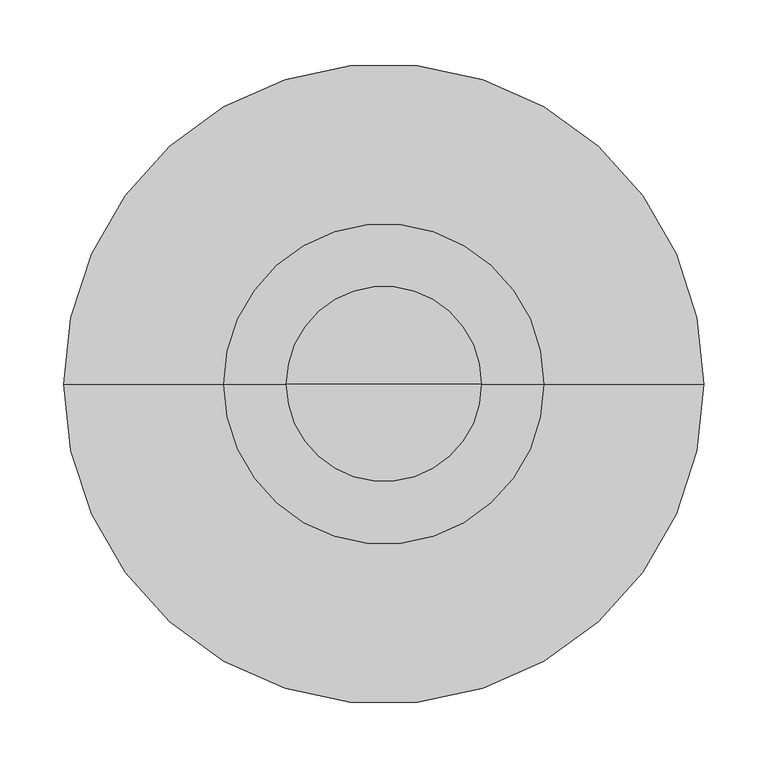
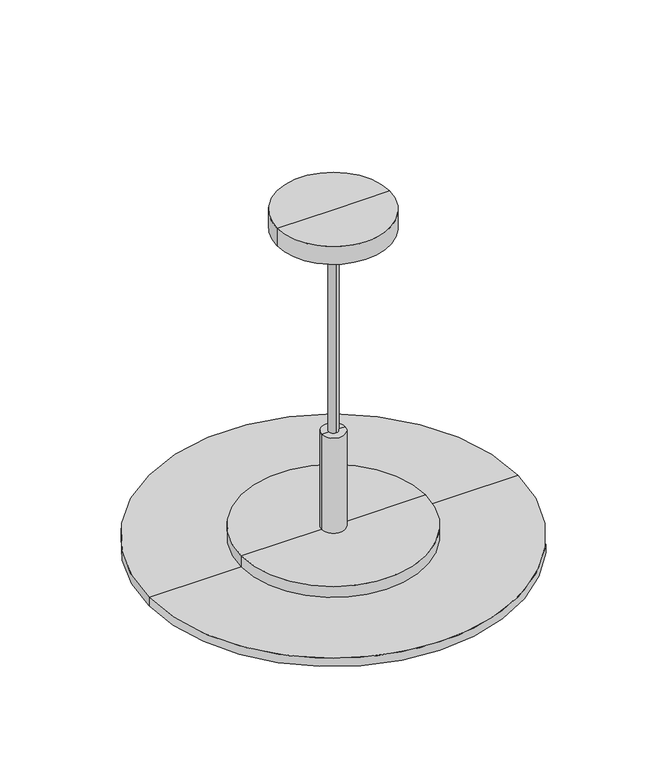
"""IFC4 building model written with IfcOpenShell, lengths in millimetres: light fixture geometry."""

from ifc_helpers import new_model, si_unit, point, frame, origin, origin_2d, place, context, project, spatial, polyline, circle_curve, trimmed, segment, composite_curve, outline, extrude, source, transform, mapped, element, save
from ifc_brep_helpers import plane_surface, cylinder_surface, revolved_surface, advanced_brep


def light_fixture_840b23ac(model_context):
    return source(origin(), model_context, "Body", "SolidModel", [
        advanced_brep(
        [(125.0, 0.0, -488.0), (-125.0, 0.0, -488.0), (0.0, 0.0, -488.0), (125.0, 0.0, -500.0), (-125.0, 0.0, -500.0), (0.0, 0.0, -500.0)],
        [
            (0, 1, circle_curve(frame((0.0, 0.0, -488.0), z_axis=(0.0, 0.0, 1.0), x_axis=(-1.0, 0.0, 0.0)), 125.0)),
            (1, 2),
            (2, 0),
            (1, 0, circle_curve(frame((0.0, 0.0, -488.0), z_axis=(0.0, 0.0, 1.0), x_axis=(-1.0, 0.0, 0.0)), 125.0)),
            (3, 4, circle_curve(frame((0.0, 0.0, -500.0), z_axis=(0.0, 0.0, 1.0), x_axis=(-1.0, 0.0, 0.0)), 125.0)),
            (4, 1),
            (0, 3),
            (4, 3, circle_curve(frame((0.0, 0.0, -500.0), z_axis=(0.0, 0.0, 1.0), x_axis=(-1.0, 0.0, 0.0)), 125.0)),
            (5, 4),
            (3, 5),
        ],
        [
            plane_surface(frame((0.0, 0.0, -488.0), z_axis=(0.0, 0.0, 1.0), x_axis=(-1.0, 0.0, 0.0))),
            cylinder_surface(frame((0.0, 0.0, -170.0), z_axis=(0.0, 0.0, -1.0), x_axis=(-1.0, 0.0, 0.0)), 125.0),
            plane_surface(frame((0.0, 0.0, -500.0), z_axis=(0.0, 0.0, -1.0), x_axis=(-1.0, 0.0, 0.0))),
        ],
        [
            (0, [[1, 2, 3]]),
            (0, [[4, -3, -2]]),
            (1, [[5, 6, -1, 7]]),
            (1, [[8, -7, -4, -6]]),
            (2, [[9, -5, 10]]),
            (2, [[-10, -8, -9]]),
        ],
    ),
        advanced_brep(
        [(15.875, 0.0, -452.6247532), (-15.875, 0.0, -452.6247532), (-15.875, 0.0, -316.5500062), (15.875, 0.0, -316.5500062), (125.0, 0.0, -452.6247532), (-125.0, 0.0, -452.6247532), (125.0, 0.0, -488.0), (-125.0, 0.0, -488.0), (38.1, 0.0, -488.0), (-38.1, 0.0, -488.0), (38.1, 0.0, -468.9500062), (-38.1, 0.0, -468.9500062), (0.0, 0.0, -468.9500062), (0.0, 0.0, -316.5500062)],
        [
            (0, 1, circle_curve(frame((0.0, 0.0, -452.6247532), z_axis=(0.0, 0.0, 1.0), x_axis=(-1.0, 0.0, 0.0)), 15.875)),
            (1, 2),
            (2, 3, circle_curve(frame((0.0, 0.0, -316.5500062), z_axis=(0.0, 0.0, -1.0), x_axis=(-1.0, 0.0, 0.0)), 15.875)),
            (3, 0),
            (1, 0, circle_curve(frame((0.0, 0.0, -452.6247532), z_axis=(0.0, 0.0, 1.0), x_axis=(-1.0, 0.0, 0.0)), 15.875)),
            (3, 2, circle_curve(frame((0.0, 0.0, -316.5500062), z_axis=(0.0, 0.0, -1.0), x_axis=(-1.0, 0.0, 0.0)), 15.875)),
            (4, 5, circle_curve(frame((0.0, 0.0, -452.6247532), z_axis=(0.0, 0.0, 1.0), x_axis=(-1.0, 0.0, 0.0)), 125.0)),
            (5, 1),
            (0, 4),
            (5, 4, circle_curve(frame((0.0, 0.0, -452.6247532), z_axis=(0.0, 0.0, 1.0), x_axis=(-1.0, 0.0, 0.0)), 125.0)),
            (6, 7, circle_curve(frame((0.0, 0.0, -488.0), z_axis=(0.0, 0.0, 1.0), x_axis=(-1.0, 0.0, 0.0)), 125.0)),
            (7, 5),
            (4, 6),
            (7, 6, circle_curve(frame((0.0, 0.0, -488.0), z_axis=(0.0, 0.0, 1.0), x_axis=(-1.0, 0.0, 0.0)), 125.0)),
            (8, 9, circle_curve(frame((0.0, 0.0, -488.0), z_axis=(0.0, 0.0, 1.0), x_axis=(-1.0, 0.0, 0.0)), 38.1)),
            (9, 7),
            (6, 8),
            (9, 8, circle_curve(frame((0.0, 0.0, -488.0), z_axis=(0.0, 0.0, 1.0), x_axis=(-1.0, 0.0, 0.0)), 38.1)),
            (10, 11, circle_curve(frame((0.0, 0.0, -468.9500062), z_axis=(0.0, 0.0, 1.0), x_axis=(-1.0, 0.0, 0.0)), 38.1)),
            (11, 9),
            (8, 10),
            (11, 10, circle_curve(frame((0.0, 0.0, -468.9500062), z_axis=(0.0, 0.0, 1.0), x_axis=(-1.0, 0.0, 0.0)), 38.1)),
            (12, 11),
            (10, 12),
            (2, 13),
            (13, 3),
        ],
        [
            cylinder_surface(frame((0.0, 0.0, 45.0), z_axis=(0.0, 0.0, -1.0), x_axis=(-1.0, 0.0, 0.0)), 15.875),
            plane_surface(frame((0.0, 0.0, -452.6247532), z_axis=(0.0, 0.0, 1.0), x_axis=(-1.0, 0.0, 0.0))),
            cylinder_surface(frame((0.0, 0.0, 45.0), z_axis=(0.0, 0.0, -1.0), x_axis=(-1.0, 0.0, 0.0)), 125.0),
            plane_surface(frame((0.0, 0.0, -488.0), z_axis=(0.0, 0.0, -1.0), x_axis=(-1.0, 0.0, 0.0))),
            revolved_surface(polyline([(-38.1, 0.0, -488.0), (-38.1, 0.0, -468.95000619999996)]), (0.0, 0.0, 45.0), (0.0, 0.0, -1.0)),
            plane_surface(frame((0.0, 0.0, -468.9500062), z_axis=(0.0, 0.0, -1.0), x_axis=(-1.0, 0.0, 0.0))),
            plane_surface(frame((0.0, 0.0, -316.5500062), z_axis=(0.0, 0.0, 1.0), x_axis=(-1.0, 0.0, 0.0))),
        ],
        [
            (0, [[1, 2, 3, 4]]),
            (0, [[5, -4, 6, -2]]),
            (1, [[7, 8, -1, 9]]),
            (1, [[10, -9, -5, -8]]),
            (2, [[11, 12, -7, 13]]),
            (2, [[14, -13, -10, -12]]),
            (3, [[15, 16, -11, 17]]),
            (3, [[18, -17, -14, -16]]),
            (4, [[19, 20, -15, 21]]),
            (4, [[22, -21, -18, -20]]),
            (5, [[23, -19, 24]]),
            (5, [[-24, -22, -23]]),
            (6, [[-3, 25, 26]]),
            (6, [[-6, -26, -25]]),
        ],
    ),
        extrude(outline(composite_curve([segment(trimmed(circle_curve(origin_2d(), 6.35), [point((0.0, 6.35))], [point((0.0, -6.35))], False, "CARTESIAN"), True, "CONTINUOUS"), segment(trimmed(circle_curve(origin_2d(), 6.35), [point((0.0, -6.35))], [point((0.0, 6.35))], False, "CARTESIAN"), True, "CONTINUOUS")], self_intersect=False)), frame((0.0, 0.0, -316.5500062), z_axis=(0.0, 0.0, 1.0), x_axis=(1.0, 0.0, 0.0)), (0.0, 0.0, 1.0), 291.1500062),
        advanced_brep(
        [(250.0, 0.0, -480.0), (-250.0, 0.0, -480.0), (-250.0, 0.0, -468.0), (250.0, 0.0, -468.0), (0.0, 0.0, -480.0), (0.0, 0.0, -468.0)],
        [
            (0, 1, circle_curve(frame((0.0, 0.0, -480.0), z_axis=(0.0, 0.0, 1.0), x_axis=(-1.0, 0.0, 0.0)), 250.0)),
            (1, 2),
            (2, 3, circle_curve(frame((0.0, 0.0, -468.0), z_axis=(0.0, 0.0, -1.0), x_axis=(-1.0, 0.0, 0.0)), 250.0)),
            (3, 0),
            (1, 0, circle_curve(frame((0.0, 0.0, -480.0), z_axis=(0.0, 0.0, 1.0), x_axis=(-1.0, 0.0, 0.0)), 250.0)),
            (3, 2, circle_curve(frame((0.0, 0.0, -468.0), z_axis=(0.0, 0.0, -1.0), x_axis=(-1.0, 0.0, 0.0)), 250.0)),
            (4, 1),
            (0, 4),
            (2, 5),
            (5, 3),
        ],
        [
            cylinder_surface(frame((0.0, 0.0, -417.2), z_axis=(0.0, 0.0, -1.0), x_axis=(-1.0, 0.0, 0.0)), 250.0),
            plane_surface(frame((0.0, 0.0, -480.0), z_axis=(0.0, 0.0, -1.0), x_axis=(-1.0, 0.0, 0.0))),
            plane_surface(frame((0.0, 0.0, -468.0), z_axis=(0.0, 0.0, 1.0), x_axis=(-1.0, 0.0, 0.0))),
        ],
        [
            (0, [[1, 2, 3, 4]]),
            (0, [[5, -4, 6, -2]]),
            (1, [[7, -1, 8]]),
            (1, [[-8, -5, -7]]),
            (2, [[-3, 9, 10]]),
            (2, [[-6, -10, -9]]),
        ],
    ),
        advanced_brep(
        [(76.2, 0.0, -25.4), (-76.2, 0.0, -25.4), (-76.2, 0.0, 0.0), (76.2, 0.0, 0.0), (0.0, 0.0, -60.9326436), (0.0, 0.0, 0.0)],
        [
            (0, 1, circle_curve(frame((0.0, 0.0, -25.4), z_axis=(0.0, 0.0, 1.0), x_axis=(-1.0, 0.0, 0.0)), 76.2)),
            (1, 2),
            (2, 3, circle_curve(frame((0.0, 0.0, 0.0), z_axis=(0.0, 0.0, -1.0), x_axis=(-1.0, 0.0, 0.0)), 76.2)),
            (3, 0),
            (1, 0, circle_curve(frame((0.0, 0.0, -25.4), z_axis=(0.0, 0.0, 1.0), x_axis=(-1.0, 0.0, 0.0)), 76.2)),
            (3, 2, circle_curve(frame((0.0, 0.0, 0.0), z_axis=(0.0, 0.0, -1.0), x_axis=(-1.0, 0.0, 0.0)), 76.2)),
            (4, 1),
            (0, 4),
            (2, 5),
            (5, 3),
        ],
        [
            cylinder_surface(frame((0.0, 0.0, 76.2), z_axis=(0.0, 0.0, -1.0), x_axis=(-1.0, 0.0, 0.0)), 76.2),
            revolved_surface(polyline([(-76.2, 0.0, -25.4), (0.0, 0.0, -60.9326436)]), (0.0, 0.0, 76.2), (0.0, 0.0, -1.0)),
            plane_surface(frame((0.0, 0.0, 0.0), z_axis=(0.0, 0.0, 1.0), x_axis=(-1.0, 0.0, 0.0))),
        ],
        [
            (0, [[1, 2, 3, 4]]),
            (0, [[5, -4, 6, -2]]),
            (1, [[7, -1, 8]]),
            (1, [[-8, -5, -7]]),
            (2, [[-3, 9, 10]]),
            (2, [[-6, -10, -9]]),
        ],
    ),
    ])


if __name__ == "__main__":
    model = new_model("IFC4")
    model_context = context("Model", 3, world=origin())
    ifc_project = project(units=[si_unit("LENGTHUNIT", "METRE", prefix="MILLI")], contexts=[model_context])
    site = spatial("IfcSite", under=ifc_project)
    building = spatial("IfcBuilding", under=site)
    placement = place(None, origin())
    light_fixture_shape = light_fixture_840b23ac(model_context)
    element("IfcLightFixture", 1, at=placement, inside=building, context=model_context, shape_type="MappedRepresentation", body=[
        mapped(light_fixture_shape, transform((0.0, 0.0, 0.0), x_axis=(1.0, 0.0, 0.0), y_axis=(0.0, 1.0, 0.0), z_axis=(0.0, 0.0, 1.0))),
    ])
    save(model, "model.ifc")
